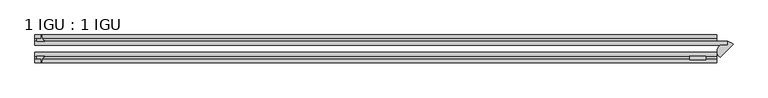
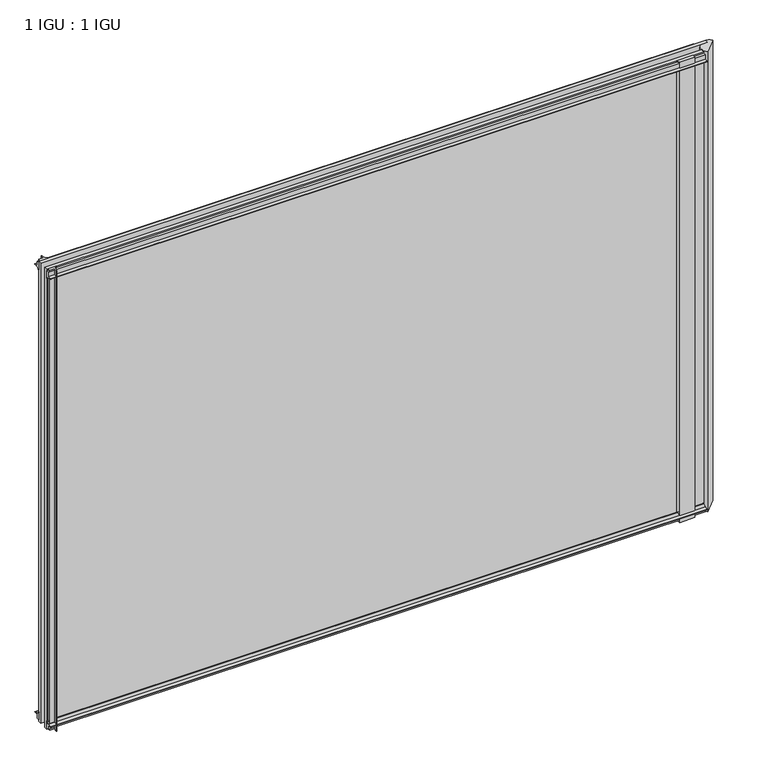
"""IFC4 building model written with IfcOpenShell, lengths in millimetres: plate geometry, 1 IGU : 1 IGU."""

import ifcopenshell
import ifcopenshell.guid

model = None  # the IFC model being written
_history = None  # IfcOwnerHistory: only IFC2X3 demands one
_inside = {}  # id of a spatial element -> (the spatial element, [elements in it])
_under = {}  # id of a project, library or spatial element -> (it, [spatial elements below it])
_declared = {}  # id of a project -> (the project, [libraries it declares])
_typed = {}  # id of a type object -> (the type object, [elements of that type])
_made_of = {}  # id of a material, layer set ... -> (it, [elements and type objects made of it])


def new_model(schema):
    """Start an empty IFC model of exactly this schema.

    Asked for "IFC4X3", IfcOpenShell would pick the latest addendum, in which some entities
    have other attributes; the version numbers below select the first issue.
    IFC2X3 requires an IfcOwnerHistory on every rooted entity: one is made here for all.
    """
    global model, _history
    if schema == "IFC4X3":
        model = ifcopenshell.file(schema_version=(4, 3, 0, 0))
    else:
        model = ifcopenshell.file(schema=schema)
    _inside.clear()
    _under.clear()
    _declared.clear()
    _typed.clear()
    _made_of.clear()
    _history = None
    if model.schema == "IFC2X3":
        org = make("IfcOrganization", Name="unknown")
        user = make(
            "IfcPersonAndOrganization",
            ThePerson=make("IfcPerson", FamilyName="unknown"),
            TheOrganization=org,
        )
        app = make(
            "IfcApplication",
            ApplicationDeveloper=org,
            Version="unknown",
            ApplicationFullName="unknown",
            ApplicationIdentifier="unknown",
        )
        _history = make(
            "IfcOwnerHistory",
            OwningUser=user,
            OwningApplication=app,
            ChangeAction="ADDED",
            CreationDate=0,
        )
    return model


def make(cls, **values):
    """One entity of the class cls with the attributes given. An attribute that is None is left unset."""
    return model.create_entity(
        cls, **{name: value for name, value in values.items() if value is not None}
    )


def rooted(cls, **values):
    """An entity with a GlobalId (a new one), such as an element, a storey or a relation."""
    return make(cls, GlobalId=ifcopenshell.guid.new(), OwnerHistory=_history, **values)


def si_unit(unit_type, name, prefix=None):
    """IfcSIUnit, for example si_unit("LENGTHUNIT", "METRE", prefix="MILLI")."""
    return make("IfcSIUnit", UnitType=unit_type, Prefix=prefix, Name=name)


def assignment(units):
    """IfcUnitAssignment: the units of a project."""
    return None if units is None else make("IfcUnitAssignment", Units=units)


def point(xyz):
    """IfcCartesianPoint."""
    return None if xyz is None else make("IfcCartesianPoint", Coordinates=xyz)


def direction(xyz):
    """IfcDirection."""
    return None if xyz is None else make("IfcDirection", DirectionRatios=xyz)


def frame(location, z_axis=None, x_axis=None):
    """IfcAxis2Placement3D, a coordinate frame: its origin and axes. An axis left out is left unset."""
    return make(
        "IfcAxis2Placement3D",
        Location=point(location),
        Axis=direction(z_axis),
        RefDirection=direction(x_axis),
    )


def frame_2d(location, x_axis=None):
    """IfcAxis2Placement2D, a coordinate frame in the plane: its origin and x axis."""
    return make(
        "IfcAxis2Placement2D", Location=point(location), RefDirection=direction(x_axis)
    )


def origin():
    """The frame at (0, 0, 0) with its axes left unset."""
    return frame((0.0, 0.0, 0.0))


def place(relative_to, where):
    """IfcLocalPlacement: puts the frame where relative to a parent placement (None: the world)."""
    return make(
        "IfcLocalPlacement", PlacementRelTo=relative_to, RelativePlacement=where
    )


def context(
    kind, dimensions, precision=None, world=None, true_north=None, identifier=None
):
    """IfcGeometricRepresentationContext, for example the 3D "Model" context."""
    return make(
        "IfcGeometricRepresentationContext",
        ContextIdentifier=identifier,
        ContextType=kind,
        CoordinateSpaceDimension=dimensions,
        Precision=precision,
        WorldCoordinateSystem=world,
        TrueNorth=true_north,
    )


def project(units=None, contexts=None):
    """IfcProject with its units and contexts."""
    return rooted(
        "IfcProject",
        Name="project",
        RepresentationContexts=contexts,
        UnitsInContext=assignment(units),
    )


def spatial(cls, under=None, at=None, **own):
    """A site, building, storey or space (cls), placed at a placement, below another one or the project."""
    s = rooted(cls, ObjectPlacement=at, **own)
    if under is not None:
        _under.setdefault(under.id(), (under, []))[1].append(s)
    return s


def polyline(points):
    """IfcPolyline through the points."""
    return make("IfcPolyline", Points=[point(p) for p in points])


def circle_curve(where, radius):
    """IfcCircle in the frame where."""
    return make("IfcCircle", Position=where, Radius=radius)


def ellipse_curve(where, semi_axis1, semi_axis2):
    """IfcEllipse in the frame where."""
    return make(
        "IfcEllipse", Position=where, SemiAxis1=semi_axis1, SemiAxis2=semi_axis2
    )


def trimmed(basis, trim1, trim2, sense, master):
    """IfcTrimmedCurve: the piece of a basis curve between two trims."""
    return make(
        "IfcTrimmedCurve",
        BasisCurve=basis,
        Trim1=trim1,
        Trim2=trim2,
        SenseAgreement=sense,
        MasterRepresentation=master,
    )


def segment(curve, same_sense, transition):
    """IfcCompositeCurveSegment."""
    return make(
        "IfcCompositeCurveSegment",
        Transition=transition,
        SameSense=same_sense,
        ParentCurve=curve,
    )


def composite_curve(segments, self_intersect=None):
    """IfcCompositeCurve: segments joined end to end."""
    return make("IfcCompositeCurve", Segments=segments, SelfIntersect=self_intersect)


def outline(outer, holes=None, kind="AREA"):
    """IfcArbitraryClosedProfileDef: a profile drawn as a closed curve; with holes, ...WithVoids."""
    if holes is None:
        return make("IfcArbitraryClosedProfileDef", ProfileType=kind, OuterCurve=outer)
    return make(
        "IfcArbitraryProfileDefWithVoids",
        ProfileType=kind,
        OuterCurve=outer,
        InnerCurves=holes,
    )


def extrude(swept, where, along, depth):
    """IfcExtrudedAreaSolid: the profile swept, set in the frame where, extruded along a direction by depth."""
    return make(
        "IfcExtrudedAreaSolid",
        SweptArea=swept,
        Position=where,
        ExtrudedDirection=direction(along),
        Depth=depth,
    )


def shape(context_of_items, identifier, shape_type, items):
    """IfcShapeRepresentation: the items that make up one representation, for example the "Body"."""
    return make(
        "IfcShapeRepresentation",
        ContextOfItems=context_of_items,
        RepresentationIdentifier=identifier,
        RepresentationType=shape_type,
        Items=items,
    )


def source(mapping_origin, context_of_items, identifier, shape_type, items):
    """IfcRepresentationMap: a shape defined once, which mapped items show again and again."""
    return make(
        "IfcRepresentationMap",
        MappingOrigin=mapping_origin,
        MappedRepresentation=shape(context_of_items, identifier, shape_type, items),
    )


def transform(
    local_origin,
    x_axis=None,
    y_axis=None,
    z_axis=None,
    scale=None,
    scale2=None,
    scale3=None,
    uniform=True,
):
    """IfcCartesianTransformationOperator3D, or its non-uniform kind. x_axis, y_axis, z_axis: its Axis1, 2, 3."""
    if uniform:
        return make(
            "IfcCartesianTransformationOperator3D",
            Axis1=direction(x_axis),
            Axis2=direction(y_axis),
            LocalOrigin=point(local_origin),
            Scale=scale,
            Axis3=direction(z_axis),
        )
    return make(
        "IfcCartesianTransformationOperator3DnonUniform",
        Axis1=direction(x_axis),
        Axis2=direction(y_axis),
        LocalOrigin=point(local_origin),
        Scale=scale,
        Axis3=direction(z_axis),
        Scale2=scale2,
        Scale3=scale3,
    )


def mapped(mapping_source, mapping_target):
    """IfcMappedItem: shows the shape of a source again, moved by a transform."""
    return make(
        "IfcMappedItem", MappingSource=mapping_source, MappingTarget=mapping_target
    )


def made_of(thing, what):
    """Note that an element or type object is made of a material, layer set ...; save() writes the relation."""
    if what is not None:
        _made_of.setdefault(what.id(), (what, []))[1].append(thing)
    return thing


def element(
    cls,
    number,
    at=None,
    inside=None,
    cuts=None,
    type_object=None,
    material=None,
    context=None,
    identifier="Body",
    shape_type=None,
    held_by="IfcProductDefinitionShape",
    body=None,
    shapes=None,
    **own,
):
    """One element of the class cls, such as IfcWall. Its Tag is "e" and its number.

    at: its placement. inside: the storey or other place that contains it. cuts: it is an
    opening in that element (IfcRelVoidsElement). A single representation is given by context,
    identifier, shape_type and body (its items); several are given by shapes. held_by: the class
    of the entity that holds the representations. save() writes the other relations.
    """
    e = rooted(cls, Tag="e%d" % number, ObjectPlacement=at, **own)
    if body is not None:
        shapes = [shape(context, identifier, shape_type, body)]
    if shapes is not None:
        e.Representation = make(held_by, Representations=shapes)
    if inside is not None:
        _inside.setdefault(inside.id(), (inside, []))[1].append(e)
    if cuts is not None:
        rooted(
            "IfcRelVoidsElement", RelatingBuildingElement=cuts, RelatedOpeningElement=e
        )
    if type_object is not None:
        _typed.setdefault(type_object.id(), (type_object, []))[1].append(e)
    return made_of(e, material)


def aggregate(whole, parts):
    """IfcRelAggregates: a whole, such as a stair, and the parts it consists of."""
    return rooted("IfcRelAggregates", RelatingObject=whole, RelatedObjects=parts)


def save(model, path):
    """Write the relations noted so far, then the file.

    IfcRelAggregates (storeys below a building ...), IfcRelContainedInSpatialStructure (elements
    in a storey), IfcRelDefinesByType, IfcRelAssociatesMaterial and IfcRelDeclares: one each for
    every whole, place, type object, material and project.
    """
    for whole, parts in _under.values():
        aggregate(whole, parts)
    for where, things in _inside.values():
        rooted(
            "IfcRelContainedInSpatialStructure",
            RelatedElements=things,
            RelatingStructure=where,
        )
    for kind, things in _typed.values():
        rooted("IfcRelDefinesByType", RelatedObjects=things, RelatingType=kind)
    for what, things in _made_of.values():
        rooted("IfcRelAssociatesMaterial", RelatedObjects=things, RelatingMaterial=what)
    for by, libraries in _declared.values():
        rooted("IfcRelDeclares", RelatingContext=by, RelatedDefinitions=libraries)
    model.write(path)


def plane_surface(at):
    """IfcPlane: the flat surface through the origin of the frame at, square to its z axis."""
    return make("IfcPlane", Position=at)


def cylinder_surface(at, radius):
    """IfcCylindricalSurface: all points at the distance radius from the z axis of the frame at."""
    return make("IfcCylindricalSurface", Position=at, Radius=radius)


def extruded_surface(curve, direction_of_extrusion, depth):
    """IfcSurfaceOfLinearExtrusion: the curve pushed along a direction by depth."""
    return make(
        "IfcSurfaceOfLinearExtrusion",
        SweptCurve=make("IfcArbitraryOpenProfileDef", ProfileType="CURVE", Curve=curve),
        ExtrudedDirection=direction(direction_of_extrusion),
        Depth=depth,
    )


def advanced_brep(points, edges, surfaces, faces):
    """IfcAdvancedBrep: a solid bounded by faces that lie on surfaces and meet in shared edges.

    An edge is (start, end): straight between two places in points (the first is 0);
    or (start, end, curve); or (start, end, curve, False) where it runs against its curve.
    A face is (place in surfaces, loops), or (place, loops, False) where it looks against
    its surface's normal. A loop lists edges by number (the first is 1), with a minus sign
    where the edge is run from its end to its start. The first loop is the outer one.
    """
    corners = [point(p) for p in points]
    vertices = [make("IfcVertexPoint", VertexGeometry=c) for c in corners]
    made = []
    for start, end, *more in edges:
        made.append(
            make(
                "IfcEdgeCurve",
                EdgeStart=vertices[start],
                EdgeEnd=vertices[end],
                EdgeGeometry=more[0] if more else make("IfcPolyline", Points=[corners[start], corners[end]]),
                SameSense=more[1] if len(more) > 1 else True,
            )
        )
    hull = []
    for where, loops, *sense in faces:
        bounds = []
        for j, loop in enumerate(loops):
            ring = [make("IfcOrientedEdge", EdgeElement=made[abs(k) - 1], Orientation=k > 0) for k in loop]
            bounds.append(
                make(
                    "IfcFaceOuterBound" if j == 0 else "IfcFaceBound",
                    Bound=make("IfcEdgeLoop", EdgeList=ring),
                    Orientation=True,
                )
            )
        hull.append(make("IfcAdvancedFace", Bounds=bounds, FaceSurface=surfaces[where], SameSense=sense[0] if sense else True))
    return make("IfcAdvancedBrep", Outer=make("IfcClosedShell", CfsFaces=hull))


def plate_1_igu_1_igu_470235c2(model_context):
    return source(origin(), model_context, "Body", "SolidModel", [
        advanced_brep(
        [(579.8824592, -16.9303084, -11.1125), (589.2972654, -21.8097637, -11.1125), (566.6778855, -44.7138124, -11.1125), (569.7893567, -23.2259187, -11.1125), (579.8824592, -23.2259187, -11.1125), (579.8824592, -16.9303084, 865.1873985), (579.8824592, -23.2259187, 865.1873985), (569.7893567, -23.2259187, 865.1873985), (566.6778855, -44.7138124, 865.1873985), (589.2972654, -21.8097637, 865.1873985)],
        [
            (0, 1, circle_curve(frame((576.740809, -34.514619, -11.1125), z_axis=(0.0, 0.0, -1.0), x_axis=(1.0, 0.0, 0.0)), 17.862753)),
            (1, 2),
            (2, 3, ellipse_curve(frame((574.7427723, -36.3683018, -11.1125), z_axis=(0.0, 0.0, -1.0), x_axis=(0.7071067811865438, -0.7071067811865512, 0.0)), 14.7649923, 11.6049513)),
            (3, 4),
            (4, 0),
            (5, 6),
            (6, 7),
            (7, 8, ellipse_curve(frame((574.7427723, -36.3683018, 865.1873985), z_axis=(0.0, 0.0, 1.0), x_axis=(0.7071067811865438, -0.7071067811865512, 0.0)), 14.7649923, 11.6049513)),
            (8, 9),
            (9, 5, circle_curve(frame((576.740809, -34.514619, 865.1873985), z_axis=(0.0, 0.0, 1.0), x_axis=(1.0, 0.0, 0.0)), 17.862753)),
            (0, 5),
            (9, 1),
            (2, 8),
            (7, 3),
            (6, 4),
        ],
        [
            plane_surface(frame((579.8824592, -9.6242188, -11.1125), z_axis=(0.0, 0.0, -1.0), x_axis=(0.0, 1.0, 0.0))),
            plane_surface(frame((579.8824592, -9.6242188, 865.1873985), z_axis=(0.0, 0.0, 1.0), x_axis=(0.0, 1.0, 0.0))),
            cylinder_surface(frame((576.740809, -34.514619, -11.1125), z_axis=(0.0, 0.0, -1.0), x_axis=(1.0, 0.0, 0.0)), 17.862753),
            extruded_surface(trimmed(ellipse_curve(frame((574.7427723, -36.3683018, 865.1873985), z_axis=(0.0, 0.0, -1.0), x_axis=(0.7071067811865438, -0.7071067811865512, 0.0)), 14.7649923, 11.6049513), [point((566.6778855, -44.7138124, 865.1873985))], [point((569.7893567, -23.2259187, 865.1873985))], True, "CARTESIAN"), (0.0, 0.0, -876.2998984999999), 876.2998984999999),
            plane_surface(frame((569.7893567, -23.2259187, -11.1125), z_axis=(0.0, 1.0, 0.0), x_axis=(0.0, 0.0, 1.0))),
            plane_surface(frame((579.8824592, -23.2259187, -11.1125), z_axis=(-1.0, 0.0, 0.0), x_axis=(0.0, 0.0, 1.0))),
            plane_surface(frame((589.2972654, -21.8097637, -11.1125), z_axis=(0.7115145750967923, -0.7026713381267456, 0.0), x_axis=(0.0, 0.0, 1.0))),
        ],
        [
            (0, [[1, 2, 3, 4, 5]]),
            (1, [[6, 7, 8, 9, 10]]),
            (2, [[-1, 11, -10, 12]]),
            (3, [[-3, 13, -8, 14]]),
            (4, [[-4, -14, -7, 15]]),
            (5, [[-5, -15, -6, -11]]),
            (6, [[-2, -12, -9, -13]]),
        ],
    ),
        extrude(outline(composite_curve([segment(polyline([(-42.3267187, -8.2068385), (-47.0892187, -8.2068385), (-47.0892187, 0.0), (-53.563779, 0.0)]), True, "CONTINUOUS"), segment(trimmed(circle_curve(frame_2d((-53.0328134, 0.3482823)), 0.635), [point((-53.563779, 0.0))], [point((-53.0575397, 0.9828007))], False, "CARTESIAN"), True, "CONTINUOUS"), segment(trimmed(circle_curve(frame_2d((-54.2310045, 31.0958559)), 30.1359106), [point((-53.0575397, 0.9828007))], [point((-47.0834032, 1.8198434))], True, "CARTESIAN"), True, "CONTINUOUS"), segment(trimmed(circle_curve(frame_2d((-48.2159797, 6.4587878)), 4.7752), [point((-47.0834032, 1.8198434))], [point((-43.578416, 5.3205707))], True, "CARTESIAN"), True, "CONTINUOUS"), segment(trimmed(circle_curve(frame_2d((-42.9617187, 5.169212)), 0.635), [point((-43.578416, 5.3205707))], [point((-42.3267187, 5.169212))], False, "CARTESIAN"), True, "CONTINUOUS"), segment(polyline([(-42.3267187, 5.169212), (-42.3267187, -8.2068385)]), True, "CONTINUOUS")], self_intersect=False)), frame((-622.3480842, 0.0, 0.0), z_axis=(1.0, 0.0, 0.0), x_axis=(0.0, 1.0, 0.0)), (0.0, 0.0, 1.0), 1183.1805435),
        extrude(outline(composite_curve([segment(polyline([(-16.9267187, -8.2068385), (-16.9267187, 5.169212)]), True, "CONTINUOUS"), segment(trimmed(circle_curve(frame_2d((-16.2917187, 5.169212)), 0.635), [point((-16.9267187, 5.169212))], [point((-15.6750215, 5.3205707))], False, "CARTESIAN"), True, "CONTINUOUS"), segment(trimmed(circle_curve(frame_2d((-11.0374578, 6.4587878)), 4.7752), [point((-15.6750215, 5.3205707))], [point((-12.1700343, 1.8198434))], True, "CARTESIAN"), True, "CONTINUOUS"), segment(trimmed(circle_curve(frame_2d((-5.022433, 31.0958559)), 30.1359106), [point((-12.1700343, 1.8198434))], [point((-6.1958978, 0.9828007))], True, "CARTESIAN"), True, "CONTINUOUS"), segment(trimmed(circle_curve(frame_2d((-6.2206241, 0.3482823)), 0.635), [point((-6.1958978, 0.9828007))], [point((-5.6896585, 0.0))], False, "CARTESIAN"), True, "CONTINUOUS"), segment(polyline([(-5.6896585, 0.0), (-12.1642187, 0.0), (-12.1642187, -8.2068385), (-16.9267187, -8.2068385)]), True, "CONTINUOUS")], self_intersect=False)), frame((-622.3480842, 0.0, 0.0), z_axis=(1.0, 0.0, 0.0), x_axis=(0.0, 1.0, 0.0)), (0.0, 0.0, 1.0), 1183.1805435),
        extrude(outline(composite_curve([segment(polyline([(-47.0892187, 854.0748985), (-47.0892187, 862.281737), (-42.3267188, 862.281737), (-42.3267188, 848.9056865)]), True, "CONTINUOUS"), segment(trimmed(circle_curve(frame_2d((-42.9617187, 848.9056865)), 0.635), [point((-42.3267188, 848.9056865))], [point((-43.578416, 848.7543278))], False, "CARTESIAN"), True, "CONTINUOUS"), segment(trimmed(circle_curve(frame_2d((-48.2159797, 847.6161107)), 4.7752), [point((-43.578416, 848.7543278))], [point((-47.0834032, 852.2550551))], True, "CARTESIAN"), True, "CONTINUOUS"), segment(trimmed(circle_curve(frame_2d((-54.2310045, 822.9790426)), 30.1359106), [point((-47.0834032, 852.2550551))], [point((-53.0575397, 853.0920978))], True, "CARTESIAN"), True, "CONTINUOUS"), segment(trimmed(circle_curve(frame_2d((-53.0328134, 853.7266162)), 0.635), [point((-53.0575397, 853.0920978))], [point((-53.563779, 854.0748985))], False, "CARTESIAN"), True, "CONTINUOUS"), segment(polyline([(-53.563779, 854.0748985), (-47.0892187, 854.0748985)]), True, "CONTINUOUS")], self_intersect=False)), frame((-622.3480842, 0.0, 0.0), z_axis=(1.0, 0.0, 0.0), x_axis=(0.0, 1.0, 0.0)), (0.0, 0.0, 1.0), 1183.1805435),
        extrude(outline(composite_curve([segment(polyline([(-12.1642187, 854.0748985), (-5.6896585, 854.0748985)]), True, "CONTINUOUS"), segment(trimmed(circle_curve(frame_2d((-6.2206241, 853.7266162)), 0.635), [point((-5.6896585, 854.0748985))], [point((-6.1958978, 853.0920978))], False, "CARTESIAN"), True, "CONTINUOUS"), segment(trimmed(circle_curve(frame_2d((-5.022433, 822.9790426)), 30.1359106), [point((-6.1958978, 853.0920978))], [point((-12.1700343, 852.2550551))], True, "CARTESIAN"), True, "CONTINUOUS"), segment(trimmed(circle_curve(frame_2d((-11.0374578, 847.6161107)), 4.7752), [point((-12.1700343, 852.2550551))], [point((-15.6750215, 848.7543278))], True, "CARTESIAN"), True, "CONTINUOUS"), segment(trimmed(circle_curve(frame_2d((-16.2917187, 848.9056865)), 0.635), [point((-15.6750215, 848.7543278))], [point((-16.9267187, 848.9056865))], False, "CARTESIAN"), True, "CONTINUOUS"), segment(polyline([(-16.9267187, 848.9056865), (-16.9267187, 862.281737), (-12.1642187, 862.281737), (-12.1642187, 854.0748985)]), True, "CONTINUOUS")], self_intersect=False)), frame((-622.3480842, 0.0, 0.0), z_axis=(1.0, 0.0, 0.0), x_axis=(0.0, 1.0, 0.0)), (0.0, 0.0, 1.0), 1183.1805435),
        extrude(outline(composite_curve([segment(polyline([(541.7824592, -42.3267187), (541.7824592, -48.6767187), (514.3938773, -48.6767187)]), True, "CONTINUOUS"), segment(trimmed(circle_curve(frame_2d((502.6356829, -48.2428298)), 11.7661971), [point((514.3938773, -48.6767187))], [point((512.8063773, -42.3267187))], True, "CARTESIAN"), True, "CONTINUOUS"), segment(polyline([(512.8063773, -42.3267187), (541.7824592, -42.3267187)]), True, "CONTINUOUS")], self_intersect=False)), frame((0.0, 0.0, -11.1125), z_axis=(0.0, 0.0, 1.0), x_axis=(1.0, 0.0, 0.0)), (0.0, 0.0, 1.0), 876.2998985),
        extrude(outline(composite_curve([segment(trimmed(circle_curve(frame_2d((-610.8873019, -6.2206241)), 0.635), [point((-611.2355842, -5.6896585))], [point((-610.2527835, -6.1958978))], False, "CARTESIAN"), True, "CONTINUOUS"), segment(trimmed(circle_curve(frame_2d((-580.1397284, -5.022433)), 30.1359106), [point((-610.2527835, -6.1958978))], [point((-609.4157408, -12.1700343))], True, "CARTESIAN"), True, "CONTINUOUS"), segment(trimmed(circle_curve(frame_2d((-604.7767964, -11.0374578)), 4.7752), [point((-609.4157408, -12.1700343))], [point((-605.9150136, -15.6750215))], True, "CARTESIAN"), True, "CONTINUOUS"), segment(trimmed(circle_curve(frame_2d((-606.0663722, -16.2917187)), 0.635), [point((-605.9150136, -15.6750215))], [point((-606.0663722, -16.9267187))], False, "CARTESIAN"), True, "CONTINUOUS"), segment(polyline([(-606.0663722, -16.9267187), (-619.4424227, -16.9267187), (-619.4424227, -12.1642187), (-611.2355842, -12.1642187), (-611.2355842, -5.6896585)]), True, "CONTINUOUS")], self_intersect=False)), frame((0.0, 0.0, -11.1125), z_axis=(0.0, 0.0, 1.0), x_axis=(1.0, 0.0, 0.0)), (0.0, 0.0, 1.0), 876.2998985),
        extrude(outline(composite_curve([segment(polyline([(-611.2355842, -53.563779), (-611.2355842, -47.0892187), (-619.4424227, -47.0892187), (-619.4424227, -42.3267188), (-606.0663722, -42.3267188)]), True, "CONTINUOUS"), segment(trimmed(circle_curve(frame_2d((-606.0663722, -42.9617187)), 0.635), [point((-606.0663722, -42.3267188))], [point((-605.9150136, -43.578416))], False, "CARTESIAN"), True, "CONTINUOUS"), segment(trimmed(circle_curve(frame_2d((-604.7767964, -48.2159797)), 4.7752), [point((-605.9150136, -43.578416))], [point((-609.4157408, -47.0834032))], True, "CARTESIAN"), True, "CONTINUOUS"), segment(trimmed(circle_curve(frame_2d((-580.1397284, -54.2310045)), 30.1359106), [point((-609.4157408, -47.0834032))], [point((-610.2527835, -53.0575397))], True, "CARTESIAN"), True, "CONTINUOUS"), segment(trimmed(circle_curve(frame_2d((-610.8873019, -53.0328134)), 0.635), [point((-610.2527835, -53.0575397))], [point((-611.2355842, -53.563779))], False, "CARTESIAN"), True, "CONTINUOUS")], self_intersect=False)), frame((0.0, 0.0, -11.1125), z_axis=(0.0, 0.0, 1.0), x_axis=(1.0, 0.0, 0.0)), (0.0, 0.0, 1.0), 876.2998985),
        extrude(outline(polyline([(579.8824592, -16.9267187), (579.8824592, -23.2259187), (-622.3480842, -23.2259187), (-622.3480842, -16.9267187), (579.8824592, -16.9267187)])), frame((0.0, 0.0, -11.1125), z_axis=(0.0, 0.0, 1.0), x_axis=(1.0, 0.0, 0.0)), (0.0, 0.0, 1.0), 876.2998985),
        extrude(outline(polyline([(560.8324592, -36.0275187), (560.8324592, -42.3267187), (-622.3480842, -42.3267187), (-622.3480842, -36.0275187), (560.8324592, -36.0275187)])), frame((0.0, 0.0, -11.1125), z_axis=(0.0, 0.0, 1.0), x_axis=(1.0, 0.0, 0.0)), (0.0, 0.0, 1.0), 876.2998985),
    ])


if __name__ == "__main__":
    model = new_model("IFC4")
    model_context = context("Model", 3, world=origin())
    ifc_project = project(units=[si_unit("LENGTHUNIT", "METRE", prefix="MILLI")], contexts=[model_context])
    site = spatial("IfcSite", under=ifc_project)
    building = spatial("IfcBuilding", under=site)
    placement = place(None, origin())
    plate_1_igu_1_igu_shape = plate_1_igu_1_igu_470235c2(model_context)
    element("IfcPlate", 1, ObjectType="1 IGU : 1 IGU", at=placement, inside=building, context=model_context, shape_type="MappedRepresentation", body=[
        mapped(plate_1_igu_1_igu_shape, transform((0.0, 0.0, 0.0), x_axis=(1.0, 0.0, 0.0), y_axis=(0.0, 1.0, 0.0), z_axis=(0.0, 0.0, 1.0))),
    ])
    save(model, "model.ifc")
